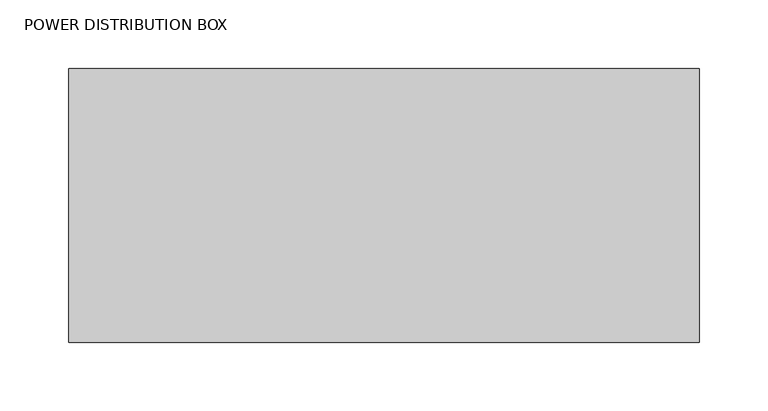
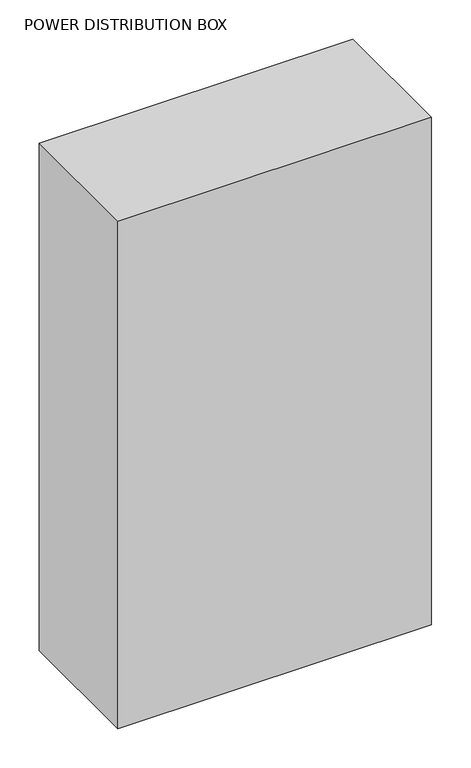
"""IFC4 building model written with IfcOpenShell, lengths in millimetres: proxy geometry, POWER DISTRIBUTION BOX."""

from ifc_helpers import new_model, si_unit, frame, origin, place, context, project, spatial, polyline, outline, extrude, source, transform, mapped, element, save


def power_distribution_box_e0d3b75d(model_context):
    return source(origin(), model_context, "Body", "SweptSolid", [
        extrude(outline(polyline([(229.997, 0.0), (229.997, -199.898), (-229.997, -199.898), (-229.997, 0.0), (229.997, 0.0)])), frame((0.0, 0.0, 1219.2), z_axis=(0.0, 0.0, 1.0), x_axis=(1.0, 0.0, 0.0)), (0.0, 0.0, 1.0), 787.4),
    ])


if __name__ == "__main__":
    model = new_model("IFC4")
    model_context = context("Model", 3, world=origin())
    ifc_project = project(units=[si_unit("LENGTHUNIT", "METRE", prefix="MILLI")], contexts=[model_context])
    site = spatial("IfcSite", under=ifc_project)
    building = spatial("IfcBuilding", under=site)
    placement = place(None, origin())
    power_distribution_box_shape = power_distribution_box_e0d3b75d(model_context)
    element("IfcBuildingElementProxy", 1, Name="POWER DISTRIBUTION BOX", ObjectType="POWER DISTRIBUTION BOX", at=placement, inside=building, context=model_context, shape_type="MappedRepresentation", body=[
        mapped(power_distribution_box_shape, transform((0.0, 0.0, 0.0), x_axis=(1.0, 0.0, 0.0), y_axis=(0.0, 1.0, 0.0), z_axis=(0.0, 0.0, 1.0))),
    ])
    save(model, "model.ifc")
